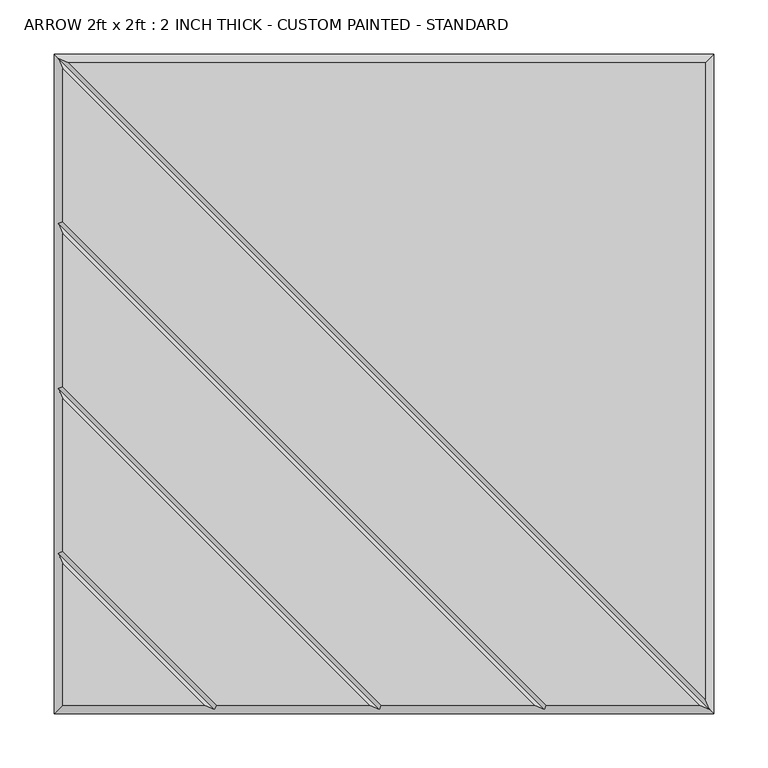
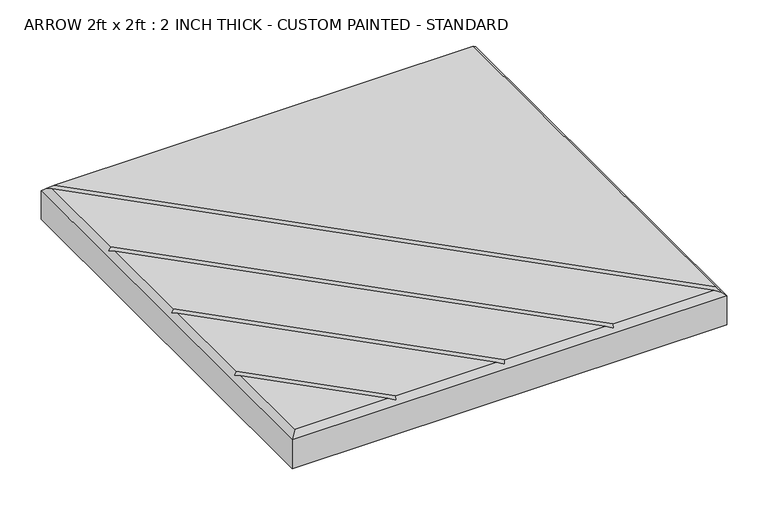
"""IFC4 building model written with IfcOpenShell, lengths in millimetres: proxy geometry, ARROW 2ft x 2ft : 2 INCH THICK - CUSTOM PAINTED - STANDARD."""

from ifc_helpers import new_model, si_unit, origin, place, context, project, spatial, faceted_brep, source, transform, mapped, element, save


def arrow_2ft_x_2ft_2_inch_thick_custom_painted_standard_1b378b82(model_context):
    return source(origin(), model_context, "Body", "Brep", [
        faceted_brep([(296.799, 296.799, 50.8), (-291.1414386, 296.799, 50.8), (296.799, -291.1414386, 50.8), (291.1414386, -296.799, 50.8), (-296.799, 291.1414386, 50.8), (-296.799, 150.0565868, 50.8), (150.0565868, -296.799, 50.8), (138.741464, -296.799, 50.8), (-296.799, 138.741464, 50.8), (-296.799, -2.3434132, 50.8), (-2.3434132, -296.799, 50.8), (-13.658536, -296.799, 50.8), (-296.799, -13.658536, 50.8), (-296.799, -154.7434132, 50.8), (-154.7434132, -296.799, 50.8), (-296.799, -166.058536, 50.8), (-296.799, -296.799, 50.8), (-166.058536, -296.799, 50.8), (-304.8, 304.8, 0.0), (304.8, 304.8, 0.0), (304.8, -304.8, 0.0), (-304.8, -304.8, 0.0), (-304.8, -304.8, 42.799), (-304.8, 304.8, 42.799), (304.8, -304.8, 42.799), (304.8, 304.8, 42.799), (-300.7995, 300.7995, 46.7995), (-300.7995, -156.4004746, 46.7995), (-300.7995, -4.0004746, 46.7995), (-300.7995, 148.3995254, 46.7995), (300.7995, -300.7995, 46.7995), (148.3995254, -300.7995, 46.7995), (-4.0004746, -300.7995, 46.7995), (-156.4004746, -300.7995, 46.7995)], [[[0, 1, 2]], [[3, 4, 5, 6]], [[7, 8, 9, 10]], [[11, 12, 13, 14]], [[15, 16, 17]], [[18, 19, 20, 21]], [[18, 21, 22, 23]], [[21, 20, 24, 22]], [[20, 19, 25, 24]], [[19, 18, 23, 25]], [[0, 25, 23, 26, 1]], [[22, 16, 15, 27, 13, 12, 28, 9, 8, 29, 5, 4, 26, 23]], [[16, 22, 24, 30, 3, 6, 31, 7, 10, 32, 11, 14, 33, 17]], [[25, 0, 2, 30, 24]], [[26, 30, 2, 1]], [[30, 26, 4, 3]], [[29, 31, 6, 5]], [[31, 29, 8, 7]], [[28, 32, 10, 9]], [[32, 28, 12, 11]], [[27, 33, 14, 13]], [[33, 27, 15, 17]]]),
    ])


if __name__ == "__main__":
    model = new_model("IFC4")
    model_context = context("Model", 3, world=origin())
    ifc_project = project(units=[si_unit("LENGTHUNIT", "METRE", prefix="MILLI")], contexts=[model_context])
    site = spatial("IfcSite", under=ifc_project)
    building = spatial("IfcBuilding", under=site)
    placement = place(None, origin())
    arrow_2ft_x_2ft_2_inch_thick_custom_painted_standard_shape = arrow_2ft_x_2ft_2_inch_thick_custom_painted_standard_1b378b82(model_context)
    element("IfcBuildingElementProxy", 1, Name="ARROW 2ft x 2ft : 2 INCH THICK - CUSTOM PAINTED - STANDARD", ObjectType="ARROW 2ft x 2ft : 2 INCH THICK - CUSTOM PAINTED - STANDARD", at=placement, inside=building, context=model_context, shape_type="MappedRepresentation", body=[
        mapped(arrow_2ft_x_2ft_2_inch_thick_custom_painted_standard_shape, transform((0.0, 0.0, 0.0), x_axis=(1.0, 0.0, 0.0), y_axis=(0.0, 1.0, 0.0), z_axis=(0.0, 0.0, 1.0))),
    ])
    save(model, "model.ifc")
